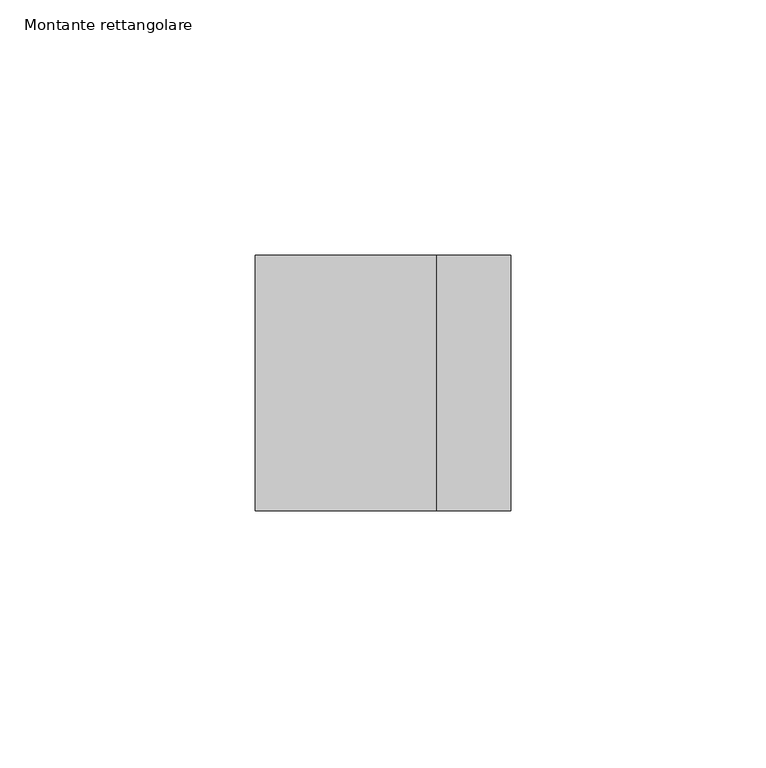
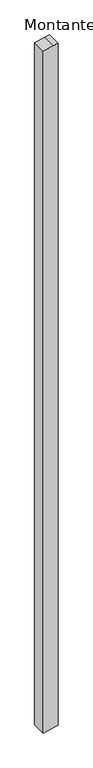
"""IFC4 building model written with IfcOpenShell, lengths in millimetres: member geometry, Montante rettangolare."""

from ifc_helpers import new_model, si_unit, frame, origin, place, context, project, spatial, polyline, outline, extrude, source, transform, mapped, element, save


def montante_rettangolare_d77a3ac2(model_context):
    return source(origin(), model_context, "Body", "SweptSolid", [
        extrude(outline(polyline([(-45.7539637, 25.0), (-48.8734905, 10.5537636), (-56.5509863, -25.0), (-2504.6290694, -25.0), (-2501.5095426, -10.5537636), (-2493.8320468, 25.0), (-45.7539637, 25.0)])), frame((0.0, -25.0, 0.0), z_axis=(0.0, 1.0, 0.0), x_axis=(0.0, 0.0, 1.0)), (0.0, 0.0, 1.0), 50.0),
    ])


if __name__ == "__main__":
    model = new_model("IFC4")
    model_context = context("Model", 3, world=origin())
    ifc_project = project(units=[si_unit("LENGTHUNIT", "METRE", prefix="MILLI")], contexts=[model_context])
    site = spatial("IfcSite", under=ifc_project)
    building = spatial("IfcBuilding", under=site)
    placement = place(None, origin())
    montante_rettangolare_shape = montante_rettangolare_d77a3ac2(model_context)
    element("IfcMember", 1, ObjectType="Montante rettangolare", at=placement, inside=building, context=model_context, shape_type="MappedRepresentation", body=[
        mapped(montante_rettangolare_shape, transform((0.0, 0.0, 0.0), x_axis=(1.0, 0.0, 0.0), y_axis=(0.0, 1.0, 0.0), z_axis=(0.0, 0.0, 1.0))),
    ])
    save(model, "model.ifc")
